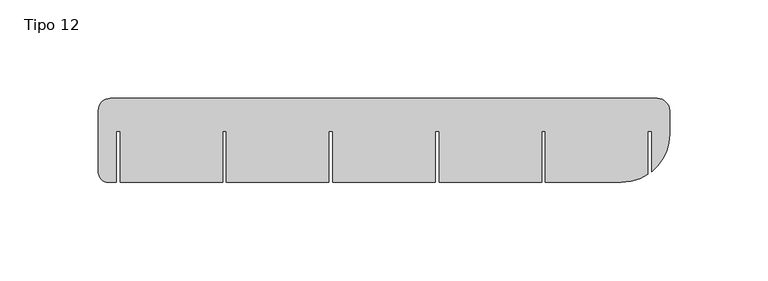
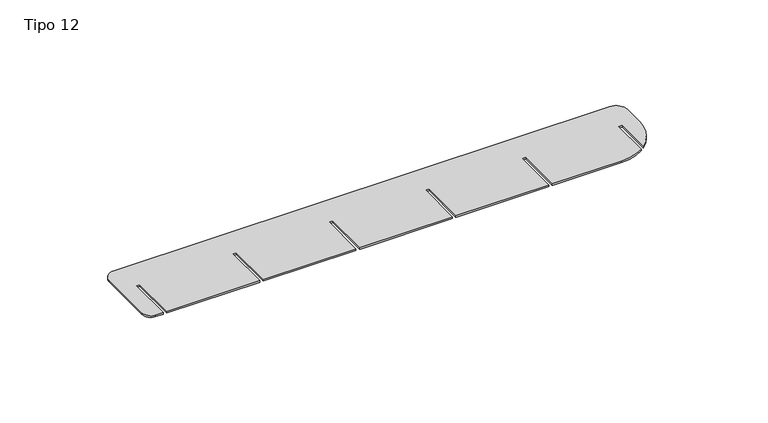
"""IFC4 building model written with IfcOpenShell, lengths in millimetres: proxy geometry, Tipo 12."""

from ifc_helpers import new_model, si_unit, point, frame_2d, origin, origin_with_axes, place, context, project, spatial, polyline, circle_curve, trimmed, segment, composite_curve, outline, extrude, source, transform, mapped, element, save


def tipo_12_811bec94(model_context):
    return source(origin(), model_context, "Body", "SweptSolid", [
        extrude(outline(composite_curve([segment(trimmed(circle_curve(frame_2d((283.8017997, 36.4017997)), 6.1982003), [point((283.8017997, 42.6))], [point((290.0, 36.4017997))], False, "CARTESIAN"), True, "CONTINUOUS"), segment(polyline([(290.0, 36.4017997), (290.0, 24.4)]), True, "CONTINUOUS"), segment(trimmed(circle_curve(frame_2d((265.6, 24.4)), 24.4), [point((290.0, 24.4))], [point((281.0, 5.4738276))], False, "CARTESIAN"), True, "CONTINUOUS"), segment(polyline([(281.0, 5.4738276), (281.0, 26.0), (279.0, 26.0), (279.0, 4.0088254)]), True, "CONTINUOUS"), segment(trimmed(circle_curve(frame_2d((265.6, 24.4)), 24.4), [point((279.0, 4.0088254))], [point((265.6, 0.0))], False, "CARTESIAN"), True, "CONTINUOUS"), segment(polyline([(265.6, 0.0), (227.0, 0.0), (227.0, 26.0), (225.0, 26.0), (225.0, 0.0), (173.0, 0.0), (173.0, 26.0), (171.0, 26.0), (171.0, 0.0), (119.0, 0.0), (119.0, 26.0), (117.0, 26.0), (117.0, 0.0), (65.0, 0.0), (65.0, 26.0), (63.0, 26.0), (63.0, 0.0), (11.0, 0.0), (11.0, 26.0), (9.0, 26.0), (9.0, 0.0), (5.0, 0.0)]), True, "CONTINUOUS"), segment(trimmed(circle_curve(frame_2d((5.0, 5.0)), 5.0), [point((5.0, 0.0))], [point((0.0, 5.0))], False, "CARTESIAN"), True, "CONTINUOUS"), segment(polyline([(0.0, 5.0), (0.0, 36.5656042)]), True, "CONTINUOUS"), segment(trimmed(circle_curve(frame_2d((6.0343958, 36.5656042)), 6.0343958), [point((0.0, 36.5656042))], [point((6.0343958, 42.6))], False, "CARTESIAN"), True, "CONTINUOUS"), segment(polyline([(6.0343958, 42.6), (283.8017997, 42.6)]), True, "CONTINUOUS")], self_intersect=False)), origin_with_axes(), (0.0, 0.0, 1.0), 1.0),
    ])


if __name__ == "__main__":
    model = new_model("IFC4")
    model_context = context("Model", 3, world=origin())
    ifc_project = project(units=[si_unit("LENGTHUNIT", "METRE", prefix="MILLI")], contexts=[model_context])
    site = spatial("IfcSite", under=ifc_project)
    building = spatial("IfcBuilding", under=site)
    placement = place(None, origin())
    tipo_12_shape = tipo_12_811bec94(model_context)
    element("IfcBuildingElementProxy", 1, Name="Tipo 12", ObjectType="Tipo 12", at=placement, inside=building, context=model_context, shape_type="MappedRepresentation", body=[
        mapped(tipo_12_shape, transform((0.0, 0.0, 0.0), x_axis=(1.0, 0.0, 0.0), y_axis=(0.0, 1.0, 0.0), z_axis=(0.0, 0.0, 1.0))),
    ])
    save(model, "model.ifc")
